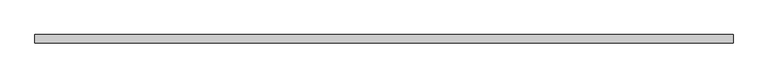
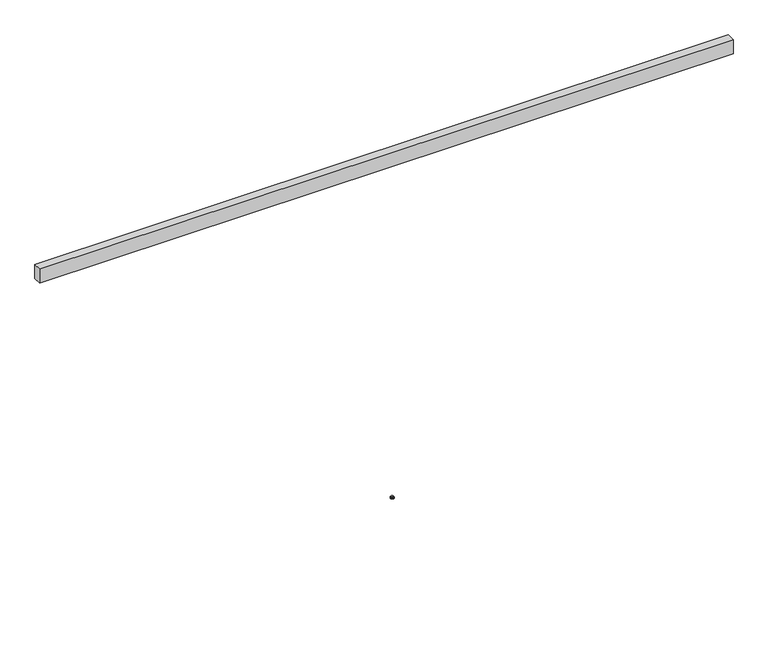
"""IFC4 building model written with IfcOpenShell, lengths in millimetres: furniture geometry."""

from ifc_helpers import new_model, si_unit, frame, origin, place, context, project, spatial, polyline, circle_curve, outline, extrude, source, transform, mapped, element, save
from ifc_brep_helpers import plane_surface, cylinder_surface, revolved_surface, advanced_brep


def furniture_71e40535(model_context):
    return source(origin(), model_context, "Body", "SolidModel", [
        advanced_brep(
        [(2205.9764925, 0.0, 8.6192084), (2189.5443075, 0.0, 8.6192084), (2191.0530817, 0.0, 8.6192084), (2204.4677183, 0.0, 8.6192084), (2207.6222074, 0.0, 7.9542964), (2187.8985926, 0.0, 7.9542964), (2208.6488395, 0.0, 6.9276644), (2186.8719605, 0.0, 6.9276644), (2209.0095185, 0.0, 5.5815918), (2186.5112815, 0.0, 5.5815918), (2209.0095185, 0.0, 3.5917842), (2186.5112815, 0.0, 3.5917842), (2208.2115956, 0.0, 1.6168555), (2187.3092044, 0.0, 1.6168555), (2206.3583049, 0.0, 0.5457096), (2189.1624951, 0.0, 0.5457096), (2201.6560655, 0.0, 0.1343169), (2193.8647345, 0.0, 0.1343169), (2197.7604, 0.0, 0.1343169), (2204.4677183, 0.0, 12.2513995), (2191.0530817, 0.0, 12.2513995), (2197.7604, 0.0, 12.2513995)],
        [
            (0, 1, circle_curve(frame((2197.7604, 0.0, 8.6192084), z_axis=(0.0, 0.0, 1.0), x_axis=(-1.0, 0.0, 0.0)), 8.2160925)),
            (1, 2),
            (2, 3, circle_curve(frame((2197.7604, 0.0, 8.6192084), z_axis=(0.0, 0.0, -1.0), x_axis=(-1.0, 0.0, 0.0)), 6.7073183)),
            (3, 0),
            (1, 0, circle_curve(frame((2197.7604, 0.0, 8.6192084), z_axis=(0.0, 0.0, 1.0), x_axis=(-1.0, 0.0, 0.0)), 8.2160925)),
            (3, 2, circle_curve(frame((2197.7604, 0.0, 8.6192084), z_axis=(0.0, 0.0, -1.0), x_axis=(-1.0, 0.0, 0.0)), 6.7073183)),
            (4, 5, circle_curve(frame((2197.7604, 0.0, 7.9542964), z_axis=(0.0, 0.0, 1.0), x_axis=(-1.0, 0.0, 0.0)), 9.8618074)),
            (5, 1),
            (0, 4),
            (5, 4, circle_curve(frame((2197.7604, 0.0, 7.9542964), z_axis=(0.0, 0.0, 1.0), x_axis=(-1.0, 0.0, 0.0)), 9.8618074)),
            (6, 7, circle_curve(frame((2197.7604, 0.0, 6.9276644), z_axis=(0.0, 0.0, 1.0), x_axis=(-1.0, 0.0, 0.0)), 10.8884395)),
            (7, 5),
            (4, 6),
            (7, 6, circle_curve(frame((2197.7604, 0.0, 6.9276644), z_axis=(0.0, 0.0, 1.0), x_axis=(-1.0, 0.0, 0.0)), 10.8884395)),
            (8, 9, circle_curve(frame((2197.7604, 0.0, 5.5815918), z_axis=(0.0, 0.0, 1.0), x_axis=(-1.0, 0.0, 0.0)), 11.2491185)),
            (9, 7),
            (6, 8),
            (9, 8, circle_curve(frame((2197.7604, 0.0, 5.5815918), z_axis=(0.0, 0.0, 1.0), x_axis=(-1.0, 0.0, 0.0)), 11.2491185)),
            (10, 11, circle_curve(frame((2197.7604, 0.0, 3.5917842), z_axis=(0.0, 0.0, 1.0), x_axis=(-1.0, 0.0, 0.0)), 11.2491185)),
            (11, 9),
            (8, 10),
            (11, 10, circle_curve(frame((2197.7604, 0.0, 3.5917842), z_axis=(0.0, 0.0, 1.0), x_axis=(-1.0, 0.0, 0.0)), 11.2491185)),
            (12, 13, circle_curve(frame((2197.7604, 0.0, 1.6168555), z_axis=(0.0, 0.0, 1.0), x_axis=(-1.0, 0.0, 0.0)), 10.4511956)),
            (13, 11),
            (10, 12),
            (13, 12, circle_curve(frame((2197.7604, 0.0, 1.6168555), z_axis=(0.0, 0.0, 1.0), x_axis=(-1.0, 0.0, 0.0)), 10.4511956)),
            (14, 15, circle_curve(frame((2197.7604, 0.0, 0.5457096), z_axis=(0.0, 0.0, 1.0), x_axis=(-1.0, 0.0, 0.0)), 8.5979049)),
            (15, 13),
            (12, 14),
            (15, 14, circle_curve(frame((2197.7604, 0.0, 0.5457096), z_axis=(0.0, 0.0, 1.0), x_axis=(-1.0, 0.0, 0.0)), 8.5979049)),
            (16, 17, circle_curve(frame((2197.7604, 0.0, 0.1343169), z_axis=(0.0, 0.0, 1.0), x_axis=(-1.0, 0.0, 0.0)), 3.8956655)),
            (17, 15),
            (14, 16),
            (17, 16, circle_curve(frame((2197.7604, 0.0, 0.1343169), z_axis=(0.0, 0.0, 1.0), x_axis=(-1.0, 0.0, 0.0)), 3.8956655)),
            (18, 17),
            (16, 18),
            (19, 20, circle_curve(frame((2197.7604, 0.0, 12.2513995), z_axis=(0.0, 0.0, 1.0), x_axis=(-1.0, 0.0, 0.0)), 6.7073183)),
            (20, 21),
            (21, 19),
            (20, 19, circle_curve(frame((2197.7604, 0.0, 12.2513995), z_axis=(0.0, 0.0, 1.0), x_axis=(-1.0, 0.0, 0.0)), 6.7073183)),
            (2, 20),
            (19, 3),
        ],
        [
            plane_surface(frame((2197.7604, 0.0, 8.6192084), z_axis=(0.0, 0.0, 1.0), x_axis=(-1.0, 0.0, 0.0))),
            revolved_surface(polyline([(2189.5443075, 0.0, 8.6192084), (2187.8985926, 0.0, 7.9542964)]), (2197.7604, 0.0, 32.4719493), (0.0, 0.0, -1.0)),
            revolved_surface(polyline([(2187.8985926, 0.0, 7.9542964), (2186.8719605, 0.0, 6.9276644)]), (2197.7604, 0.0, 32.4719493), (0.0, 0.0, -1.0)),
            revolved_surface(polyline([(2186.8719605, 0.0, 6.9276644), (2186.5112815, 0.0, 5.5815918)]), (2197.7604, 0.0, 32.4719493), (0.0, 0.0, -1.0)),
            cylinder_surface(frame((2197.7604, 0.0, 32.4719493), z_axis=(0.0, 0.0, -1.0), x_axis=(-1.0, 0.0, 0.0)), 11.2491185),
            revolved_surface(polyline([(2186.5112815, 0.0, 3.5917842), (2187.3092044, 0.0, 1.6168555)]), (2197.7604, 0.0, 32.4719493), (0.0, 0.0, -1.0)),
            revolved_surface(polyline([(2187.3092044, 0.0, 1.6168555), (2189.1624951, 0.0, 0.5457096)]), (2197.7604, 0.0, 32.4719493), (0.0, 0.0, -1.0)),
            revolved_surface(polyline([(2189.1624951, 0.0, 0.5457096), (2193.8647345, 0.0, 0.1343169)]), (2197.7604, 0.0, 32.4719493), (0.0, 0.0, -1.0)),
            plane_surface(frame((2197.7604, 0.0, 0.1343169), z_axis=(0.0, 0.0, -1.0), x_axis=(-1.0, 0.0, 0.0))),
            plane_surface(frame((2197.7604, 0.0, 12.2513995), z_axis=(0.0, 0.0, 1.0), x_axis=(-1.0, 0.0, 0.0))),
            cylinder_surface(frame((2197.7604, 0.0, 32.4719493), z_axis=(0.0, 0.0, -1.0), x_axis=(-1.0, 0.0, 0.0)), 6.7073183),
        ],
        [
            (0, [[1, 2, 3, 4]]),
            (0, [[5, -4, 6, -2]]),
            (1, [[7, 8, -1, 9]]),
            (1, [[10, -9, -5, -8]]),
            (2, [[11, 12, -7, 13]]),
            (2, [[14, -13, -10, -12]]),
            (3, [[15, 16, -11, 17]]),
            (3, [[18, -17, -14, -16]]),
            (4, [[19, 20, -15, 21]]),
            (4, [[22, -21, -18, -20]]),
            (5, [[23, 24, -19, 25]]),
            (5, [[26, -25, -22, -24]]),
            (6, [[27, 28, -23, 29]]),
            (6, [[30, -29, -26, -28]]),
            (7, [[31, 32, -27, 33]]),
            (7, [[34, -33, -30, -32]]),
            (8, [[35, -31, 36]]),
            (8, [[-36, -34, -35]]),
            (9, [[37, 38, 39]]),
            (9, [[40, -39, -38]]),
            (10, [[-3, 41, -37, 42]]),
            (10, [[-6, -42, -40, -41]]),
        ],
    ),
        extrude(outline(polyline([(4293.9208, -25.4), (0.0, -25.4), (0.0, 25.4), (4293.9208, 25.4), (4293.9208, -25.4)])), frame((0.0, 0.0, 2193.163), z_axis=(0.0, 0.0, 1.0), x_axis=(1.0, 0.0, 0.0)), (0.0, 0.0, 1.0), 92.71),
    ])


if __name__ == "__main__":
    model = new_model("IFC4")
    model_context = context("Model", 3, world=origin())
    ifc_project = project(units=[si_unit("LENGTHUNIT", "METRE", prefix="MILLI")], contexts=[model_context])
    site = spatial("IfcSite", under=ifc_project)
    building = spatial("IfcBuilding", under=site)
    placement = place(None, origin())
    furniture_shape = furniture_71e40535(model_context)
    element("IfcFurniture", 1, at=placement, inside=building, context=model_context, shape_type="MappedRepresentation", body=[
        mapped(furniture_shape, transform((0.0, 0.0, 0.0), x_axis=(1.0, 0.0, 0.0), y_axis=(0.0, 1.0, 0.0), z_axis=(0.0, 0.0, 1.0))),
    ])
    save(model, "model.ifc")
